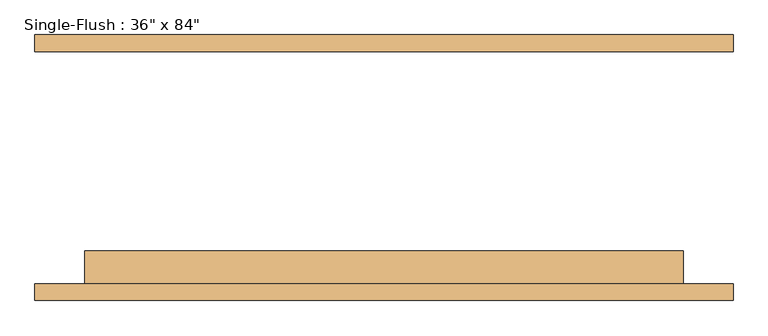
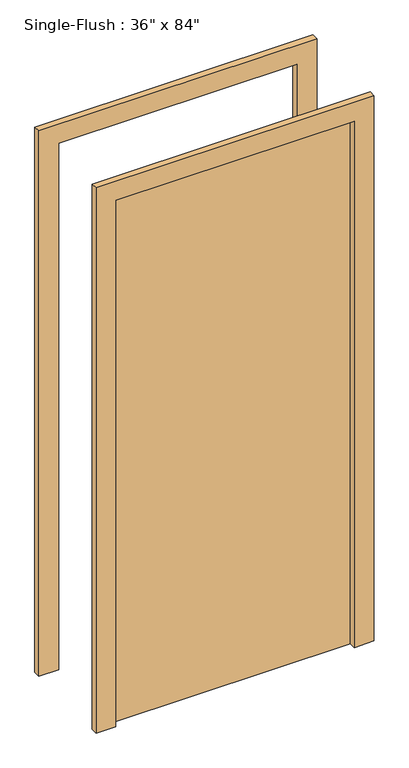
"""IFC4 building model written with IfcOpenShell, lengths in millimetres: door geometry."""

from ifc_helpers import new_model, si_unit, frame, origin, origin_with_axes, place, context, project, spatial, polyline, outline, extrude, source, transform, mapped, element, save


def door_25b8b326(model_context):
    return source(origin(), model_context, "Body", "SweptSolid", [
        extrude(outline(polyline([(2209.8, -533.4), (0.0, -533.4), (0.0, -457.2), (2133.6, -457.2), (2133.6, 457.2), (0.0, 457.2), (0.0, 533.4), (2209.8, 533.4), (2209.8, -533.4)])), frame((0.0, -203.2, 0.0), z_axis=(0.0, 1.0, 0.0), x_axis=(0.0, 0.0, 1.0)), (0.0, 0.0, 1.0), 25.4),
        extrude(outline(polyline([(2209.8, 533.4), (2209.8, -533.4), (0.0, -533.4), (0.0, -457.2), (2133.6, -457.2), (2133.6, 457.2), (0.0, 457.2), (0.0, 533.4), (2209.8, 533.4)])), frame((0.0, 177.8, 0.0), z_axis=(0.0, 1.0, 0.0), x_axis=(0.0, 0.0, 1.0)), (0.0, 0.0, 1.0), 25.4),
        extrude(outline(polyline([(457.2, -127.0), (457.2, -177.8), (-457.2, -177.8), (-457.2, -127.0), (457.2, -127.0)])), origin_with_axes(), (0.0, 0.0, 1.0), 2133.6),
    ])


if __name__ == "__main__":
    model = new_model("IFC4")
    model_context = context("Model", 3, world=origin())
    ifc_project = project(units=[si_unit("LENGTHUNIT", "METRE", prefix="MILLI")], contexts=[model_context])
    site = spatial("IfcSite", under=ifc_project)
    building = spatial("IfcBuilding", under=site)
    placement = place(None, origin())
    door_shape = door_25b8b326(model_context)
    element("IfcDoor", 1, ObjectType="Single-Flush : 36\" x 84\"", at=placement, inside=building, context=model_context, shape_type="MappedRepresentation", body=[
        mapped(door_shape, transform((0.0, 0.0, 0.0), x_axis=(1.0, 0.0, 0.0), y_axis=(0.0, 1.0, 0.0), z_axis=(0.0, 0.0, 1.0))),
    ])
    save(model, "model.ifc")
